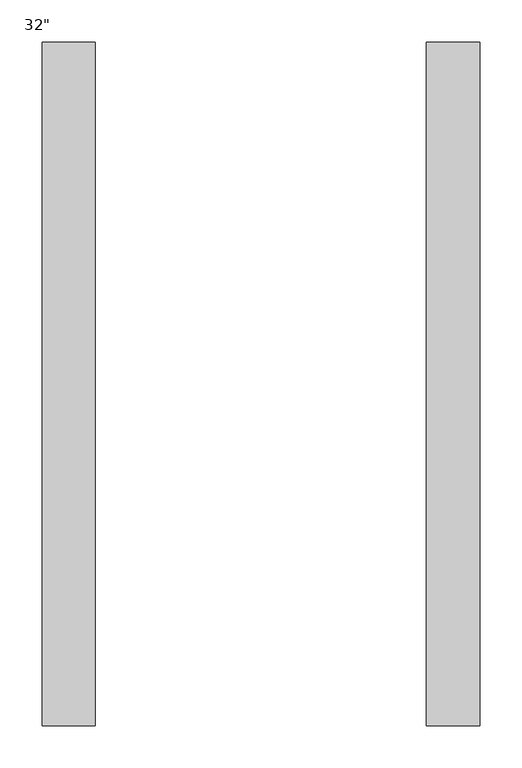
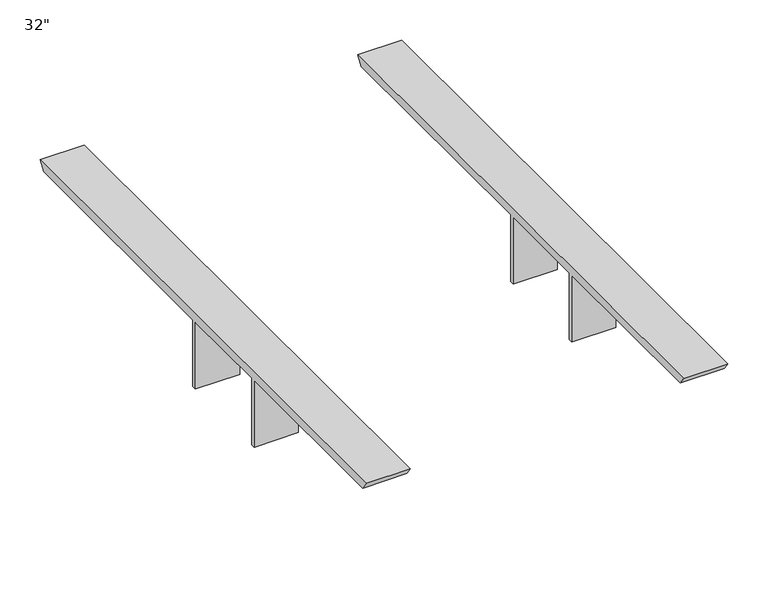
"""IFC4 building model written with IfcOpenShell, lengths in millimetres: furniture geometry."""

from ifc_helpers import new_model, si_unit, frame, origin, place, context, project, spatial, polyline, outline, extrude, source, transform, mapped, element, save


def furniture_3eb53df6(model_context):
    return source(origin(), model_context, "Body", "SweptSolid", [
        extrude(outline(polyline([(-812.8, 914.4), (0.0, 914.4), (-8.8926357, 901.7), (-381.0, 901.7), (-381.0, 800.1), (-387.35, 800.1), (-387.35, 901.7), (-527.05, 901.7), (-527.05, 800.1), (-533.4, 800.1), (-533.4, 901.7), (-803.9073643, 901.7), (-812.8, 914.4)])), frame((457.2, 0.0, 0.0), z_axis=(1.0, 0.0, 0.0), x_axis=(0.0, 1.0, 0.0)), (0.0, 0.0, 1.0), 63.500002),
        extrude(outline(polyline([(-812.8, 914.4), (0.0, 914.4), (-8.8926357, 901.7), (-381.0, 901.7), (-381.0, 800.1), (-387.35, 800.1), (-387.35, 901.7), (-527.05, 901.7), (-527.05, 800.1), (-533.4, 800.1), (-533.4, 901.7), (-803.9073643, 901.7), (-812.8, 914.4)])), frame((0.0, 0.0, 0.0), z_axis=(1.0, 0.0, 0.0), x_axis=(0.0, 1.0, 0.0)), (0.0, 0.0, 1.0), 63.500002),
    ])


if __name__ == "__main__":
    model = new_model("IFC4")
    model_context = context("Model", 3, world=origin())
    ifc_project = project(units=[si_unit("LENGTHUNIT", "METRE", prefix="MILLI")], contexts=[model_context])
    site = spatial("IfcSite", under=ifc_project)
    building = spatial("IfcBuilding", under=site)
    placement = place(None, origin())
    furniture_shape = furniture_3eb53df6(model_context)
    element("IfcFurniture", 1, ObjectType="32\"", at=placement, inside=building, context=model_context, shape_type="MappedRepresentation", body=[
        mapped(furniture_shape, transform((0.0, 0.0, 0.0), x_axis=(1.0, 0.0, 0.0), y_axis=(0.0, 1.0, 0.0), z_axis=(0.0, 0.0, 1.0))),
    ])
    save(model, "model.ifc")
